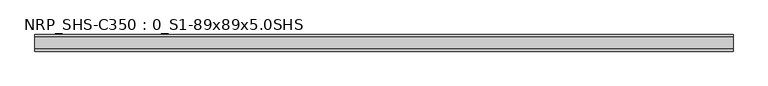
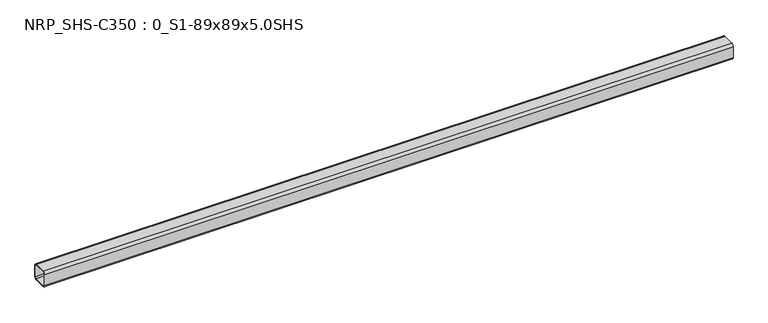
"""IFC4 building model written with IfcOpenShell, lengths in millimetres: beam geometry, NRP_SHS-C350 : 0_S1-89x89x5.0SHS."""

import ifcopenshell
import ifcopenshell.guid

model = None  # the IFC model being written
_history = None  # IfcOwnerHistory: only IFC2X3 demands one
_inside = {}  # id of a spatial element -> (the spatial element, [elements in it])
_under = {}  # id of a project, library or spatial element -> (it, [spatial elements below it])
_declared = {}  # id of a project -> (the project, [libraries it declares])
_typed = {}  # id of a type object -> (the type object, [elements of that type])
_made_of = {}  # id of a material, layer set ... -> (it, [elements and type objects made of it])


def new_model(schema):
    """Start an empty IFC model of exactly this schema.

    Asked for "IFC4X3", IfcOpenShell would pick the latest addendum, in which some entities
    have other attributes; the version numbers below select the first issue.
    IFC2X3 requires an IfcOwnerHistory on every rooted entity: one is made here for all.
    """
    global model, _history
    if schema == "IFC4X3":
        model = ifcopenshell.file(schema_version=(4, 3, 0, 0))
    else:
        model = ifcopenshell.file(schema=schema)
    _inside.clear()
    _under.clear()
    _declared.clear()
    _typed.clear()
    _made_of.clear()
    _history = None
    if model.schema == "IFC2X3":
        org = make("IfcOrganization", Name="unknown")
        user = make(
            "IfcPersonAndOrganization",
            ThePerson=make("IfcPerson", FamilyName="unknown"),
            TheOrganization=org,
        )
        app = make(
            "IfcApplication",
            ApplicationDeveloper=org,
            Version="unknown",
            ApplicationFullName="unknown",
            ApplicationIdentifier="unknown",
        )
        _history = make(
            "IfcOwnerHistory",
            OwningUser=user,
            OwningApplication=app,
            ChangeAction="ADDED",
            CreationDate=0,
        )
    return model


def make(cls, **values):
    """One entity of the class cls with the attributes given. An attribute that is None is left unset."""
    return model.create_entity(
        cls, **{name: value for name, value in values.items() if value is not None}
    )


def rooted(cls, **values):
    """An entity with a GlobalId (a new one), such as an element, a storey or a relation."""
    return make(cls, GlobalId=ifcopenshell.guid.new(), OwnerHistory=_history, **values)


def si_unit(unit_type, name, prefix=None):
    """IfcSIUnit, for example si_unit("LENGTHUNIT", "METRE", prefix="MILLI")."""
    return make("IfcSIUnit", UnitType=unit_type, Prefix=prefix, Name=name)


def assignment(units):
    """IfcUnitAssignment: the units of a project."""
    return None if units is None else make("IfcUnitAssignment", Units=units)


def point(xyz):
    """IfcCartesianPoint."""
    return None if xyz is None else make("IfcCartesianPoint", Coordinates=xyz)


def direction(xyz):
    """IfcDirection."""
    return None if xyz is None else make("IfcDirection", DirectionRatios=xyz)


def frame(location, z_axis=None, x_axis=None):
    """IfcAxis2Placement3D, a coordinate frame: its origin and axes. An axis left out is left unset."""
    return make(
        "IfcAxis2Placement3D",
        Location=point(location),
        Axis=direction(z_axis),
        RefDirection=direction(x_axis),
    )


def frame_2d(location, x_axis=None):
    """IfcAxis2Placement2D, a coordinate frame in the plane: its origin and x axis."""
    return make(
        "IfcAxis2Placement2D", Location=point(location), RefDirection=direction(x_axis)
    )


def origin():
    """The frame at (0, 0, 0) with its axes left unset."""
    return frame((0.0, 0.0, 0.0))


def place(relative_to, where):
    """IfcLocalPlacement: puts the frame where relative to a parent placement (None: the world)."""
    return make(
        "IfcLocalPlacement", PlacementRelTo=relative_to, RelativePlacement=where
    )


def context(
    kind, dimensions, precision=None, world=None, true_north=None, identifier=None
):
    """IfcGeometricRepresentationContext, for example the 3D "Model" context."""
    return make(
        "IfcGeometricRepresentationContext",
        ContextIdentifier=identifier,
        ContextType=kind,
        CoordinateSpaceDimension=dimensions,
        Precision=precision,
        WorldCoordinateSystem=world,
        TrueNorth=true_north,
    )


def project(units=None, contexts=None):
    """IfcProject with its units and contexts."""
    return rooted(
        "IfcProject",
        Name="project",
        RepresentationContexts=contexts,
        UnitsInContext=assignment(units),
    )


def spatial(cls, under=None, at=None, **own):
    """A site, building, storey or space (cls), placed at a placement, below another one or the project."""
    s = rooted(cls, ObjectPlacement=at, **own)
    if under is not None:
        _under.setdefault(under.id(), (under, []))[1].append(s)
    return s


def polyline(points):
    """IfcPolyline through the points."""
    return make("IfcPolyline", Points=[point(p) for p in points])


def circle_curve(where, radius):
    """IfcCircle in the frame where."""
    return make("IfcCircle", Position=where, Radius=radius)


def trimmed(basis, trim1, trim2, sense, master):
    """IfcTrimmedCurve: the piece of a basis curve between two trims."""
    return make(
        "IfcTrimmedCurve",
        BasisCurve=basis,
        Trim1=trim1,
        Trim2=trim2,
        SenseAgreement=sense,
        MasterRepresentation=master,
    )


def segment(curve, same_sense, transition):
    """IfcCompositeCurveSegment."""
    return make(
        "IfcCompositeCurveSegment",
        Transition=transition,
        SameSense=same_sense,
        ParentCurve=curve,
    )


def composite_curve(segments, self_intersect=None):
    """IfcCompositeCurve: segments joined end to end."""
    return make("IfcCompositeCurve", Segments=segments, SelfIntersect=self_intersect)


def outline(outer, holes=None, kind="AREA"):
    """IfcArbitraryClosedProfileDef: a profile drawn as a closed curve; with holes, ...WithVoids."""
    if holes is None:
        return make("IfcArbitraryClosedProfileDef", ProfileType=kind, OuterCurve=outer)
    return make(
        "IfcArbitraryProfileDefWithVoids",
        ProfileType=kind,
        OuterCurve=outer,
        InnerCurves=holes,
    )


def extrude(swept, where, along, depth):
    """IfcExtrudedAreaSolid: the profile swept, set in the frame where, extruded along a direction by depth."""
    return make(
        "IfcExtrudedAreaSolid",
        SweptArea=swept,
        Position=where,
        ExtrudedDirection=direction(along),
        Depth=depth,
    )


def shape(context_of_items, identifier, shape_type, items):
    """IfcShapeRepresentation: the items that make up one representation, for example the "Body"."""
    return make(
        "IfcShapeRepresentation",
        ContextOfItems=context_of_items,
        RepresentationIdentifier=identifier,
        RepresentationType=shape_type,
        Items=items,
    )


def source(mapping_origin, context_of_items, identifier, shape_type, items):
    """IfcRepresentationMap: a shape defined once, which mapped items show again and again."""
    return make(
        "IfcRepresentationMap",
        MappingOrigin=mapping_origin,
        MappedRepresentation=shape(context_of_items, identifier, shape_type, items),
    )


def transform(
    local_origin,
    x_axis=None,
    y_axis=None,
    z_axis=None,
    scale=None,
    scale2=None,
    scale3=None,
    uniform=True,
):
    """IfcCartesianTransformationOperator3D, or its non-uniform kind. x_axis, y_axis, z_axis: its Axis1, 2, 3."""
    if uniform:
        return make(
            "IfcCartesianTransformationOperator3D",
            Axis1=direction(x_axis),
            Axis2=direction(y_axis),
            LocalOrigin=point(local_origin),
            Scale=scale,
            Axis3=direction(z_axis),
        )
    return make(
        "IfcCartesianTransformationOperator3DnonUniform",
        Axis1=direction(x_axis),
        Axis2=direction(y_axis),
        LocalOrigin=point(local_origin),
        Scale=scale,
        Axis3=direction(z_axis),
        Scale2=scale2,
        Scale3=scale3,
    )


def mapped(mapping_source, mapping_target):
    """IfcMappedItem: shows the shape of a source again, moved by a transform."""
    return make(
        "IfcMappedItem", MappingSource=mapping_source, MappingTarget=mapping_target
    )


def made_of(thing, what):
    """Note that an element or type object is made of a material, layer set ...; save() writes the relation."""
    if what is not None:
        _made_of.setdefault(what.id(), (what, []))[1].append(thing)
    return thing


def element(
    cls,
    number,
    at=None,
    inside=None,
    cuts=None,
    type_object=None,
    material=None,
    context=None,
    identifier="Body",
    shape_type=None,
    held_by="IfcProductDefinitionShape",
    body=None,
    shapes=None,
    **own,
):
    """One element of the class cls, such as IfcWall. Its Tag is "e" and its number.

    at: its placement. inside: the storey or other place that contains it. cuts: it is an
    opening in that element (IfcRelVoidsElement). A single representation is given by context,
    identifier, shape_type and body (its items); several are given by shapes. held_by: the class
    of the entity that holds the representations. save() writes the other relations.
    """
    e = rooted(cls, Tag="e%d" % number, ObjectPlacement=at, **own)
    if body is not None:
        shapes = [shape(context, identifier, shape_type, body)]
    if shapes is not None:
        e.Representation = make(held_by, Representations=shapes)
    if inside is not None:
        _inside.setdefault(inside.id(), (inside, []))[1].append(e)
    if cuts is not None:
        rooted(
            "IfcRelVoidsElement", RelatingBuildingElement=cuts, RelatedOpeningElement=e
        )
    if type_object is not None:
        _typed.setdefault(type_object.id(), (type_object, []))[1].append(e)
    return made_of(e, material)


def aggregate(whole, parts):
    """IfcRelAggregates: a whole, such as a stair, and the parts it consists of."""
    return rooted("IfcRelAggregates", RelatingObject=whole, RelatedObjects=parts)


def save(model, path):
    """Write the relations noted so far, then the file.

    IfcRelAggregates (storeys below a building ...), IfcRelContainedInSpatialStructure (elements
    in a storey), IfcRelDefinesByType, IfcRelAssociatesMaterial and IfcRelDeclares: one each for
    every whole, place, type object, material and project.
    """
    for whole, parts in _under.values():
        aggregate(whole, parts)
    for where, things in _inside.values():
        rooted(
            "IfcRelContainedInSpatialStructure",
            RelatedElements=things,
            RelatingStructure=where,
        )
    for kind, things in _typed.values():
        rooted("IfcRelDefinesByType", RelatedObjects=things, RelatingType=kind)
    for what, things in _made_of.values():
        rooted("IfcRelAssociatesMaterial", RelatedObjects=things, RelatingMaterial=what)
    for by, libraries in _declared.values():
        rooted("IfcRelDeclares", RelatingContext=by, RelatedDefinitions=libraries)
    model.write(path)


def nrp_shs_c350_0_s1_89x89x5_0shs_cb992149(model_context):
    return source(origin(), model_context, "Body", "SweptSolid", [
        extrude(outline(composite_curve([segment(trimmed(circle_curve(frame_2d((-32.0, 32.0)), 12.5), [point((-44.5, 32.0))], [point((-32.0, 44.5))], False, "CARTESIAN"), True, "CONTINUOUS"), segment(polyline([(-32.0, 44.5), (32.0, 44.5)]), True, "CONTINUOUS"), segment(trimmed(circle_curve(frame_2d((32.0, 32.0)), 12.5), [point((32.0, 44.5))], [point((44.5, 32.0))], False, "CARTESIAN"), True, "CONTINUOUS"), segment(polyline([(44.5, 32.0), (44.5, -32.0)]), True, "CONTINUOUS"), segment(trimmed(circle_curve(frame_2d((32.0, -32.0)), 12.5), [point((44.5, -32.0))], [point((32.0, -44.5))], False, "CARTESIAN"), True, "CONTINUOUS"), segment(polyline([(32.0, -44.5), (-32.0, -44.5)]), True, "CONTINUOUS"), segment(trimmed(circle_curve(frame_2d((-32.0, -32.0)), 12.5), [point((-32.0, -44.5))], [point((-44.5, -32.0))], False, "CARTESIAN"), True, "CONTINUOUS"), segment(polyline([(-44.5, -32.0), (-44.5, 32.0)]), True, "CONTINUOUS")], self_intersect=False), holes=[composite_curve([segment(polyline([(32.0, 39.5), (-32.0, 39.5)]), True, "CONTINUOUS"), segment(trimmed(circle_curve(frame_2d((-32.0, 32.0)), 7.5), [point((-32.0, 39.5))], [point((-39.5, 32.0))], True, "CARTESIAN"), True, "CONTINUOUS"), segment(polyline([(-39.5, 32.0), (-39.5, -32.0)]), True, "CONTINUOUS"), segment(trimmed(circle_curve(frame_2d((-32.0, -32.0)), 7.5), [point((-39.5, -32.0))], [point((-32.0, -39.5))], True, "CARTESIAN"), True, "CONTINUOUS"), segment(polyline([(-32.0, -39.5), (32.0, -39.5)]), True, "CONTINUOUS"), segment(trimmed(circle_curve(frame_2d((32.0, -32.0)), 7.5), [point((32.0, -39.5))], [point((39.5, -32.0))], True, "CARTESIAN"), True, "CONTINUOUS"), segment(polyline([(39.5, -32.0), (39.5, 32.0)]), True, "CONTINUOUS"), segment(trimmed(circle_curve(frame_2d((32.0, 32.0)), 7.5), [point((39.5, 32.0))], [point((32.0, 39.5))], True, "CARTESIAN"), True, "CONTINUOUS")], self_intersect=False)]), frame((-1807.5, 0.0, 0.0), z_axis=(1.0, 0.0, 0.0), x_axis=(0.0, 1.0, 0.0)), (0.0, 0.0, 1.0), 3732.0),
    ])


if __name__ == "__main__":
    model = new_model("IFC4")
    model_context = context("Model", 3, world=origin())
    ifc_project = project(units=[si_unit("LENGTHUNIT", "METRE", prefix="MILLI")], contexts=[model_context])
    site = spatial("IfcSite", under=ifc_project)
    building = spatial("IfcBuilding", under=site)
    placement = place(None, origin())
    nrp_shs_c350_0_s1_89x89x5_0shs_shape = nrp_shs_c350_0_s1_89x89x5_0shs_cb992149(model_context)
    element("IfcBeam", 1, ObjectType="NRP_SHS-C350 : 0_S1-89x89x5.0SHS", at=placement, inside=building, context=model_context, shape_type="MappedRepresentation", body=[
        mapped(nrp_shs_c350_0_s1_89x89x5_0shs_shape, transform((0.0, 0.0, 0.0), x_axis=(1.0, 0.0, 0.0), y_axis=(0.0, 1.0, 0.0), z_axis=(0.0, 0.0, 1.0))),
    ])
    save(model, "model.ifc")
